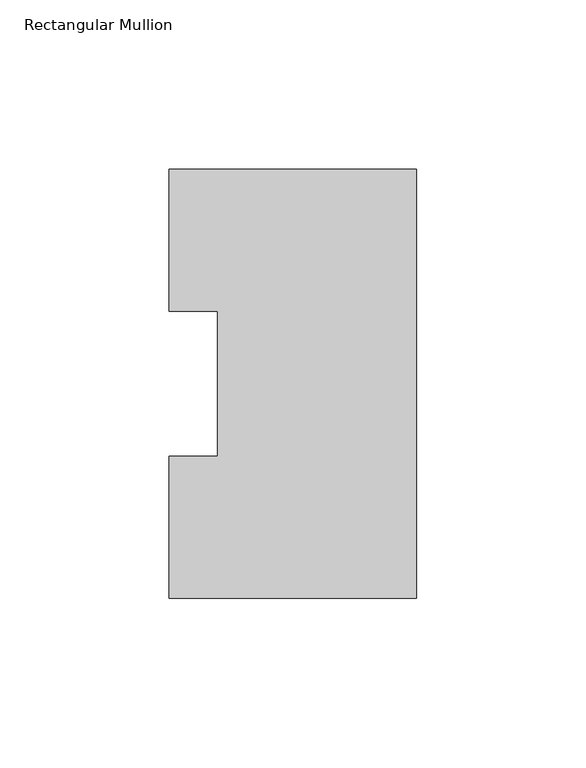
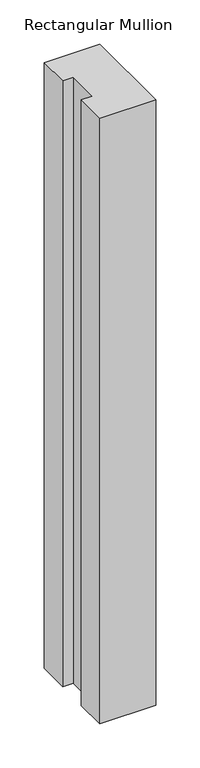
"""IFC4 building model written with IfcOpenShell, lengths in millimetres: member geometry, Rectangular Mullion."""

from ifc_helpers import new_model, si_unit, frame, origin, place, context, project, spatial, polyline, outline, extrude, source, transform, mapped, element, save


def rectangular_mullion_c261c1f2(model_context):
    return source(origin(), model_context, "Body", "SweptSolid", [
        extrude(outline(polyline([(0.0, 126.4546937), (0.0, -0.0373063), (-73.025, -0.0373063), (-73.025, 41.7837937), (-58.7375, 41.7837937), (-58.7375, 84.6335938), (-73.025, 84.6335938), (-73.025, 126.4546937), (0.0, 126.4546937)])), frame((0.0, 0.0, -838.2), z_axis=(0.0, 0.0, 1.0), x_axis=(1.0, 0.0, 0.0)), (0.0, 0.0, 1.0), 838.2),
    ])


if __name__ == "__main__":
    model = new_model("IFC4")
    model_context = context("Model", 3, world=origin())
    ifc_project = project(units=[si_unit("LENGTHUNIT", "METRE", prefix="MILLI")], contexts=[model_context])
    site = spatial("IfcSite", under=ifc_project)
    building = spatial("IfcBuilding", under=site)
    placement = place(None, origin())
    rectangular_mullion_shape = rectangular_mullion_c261c1f2(model_context)
    element("IfcMember", 1, ObjectType="Rectangular Mullion", at=placement, inside=building, context=model_context, shape_type="MappedRepresentation", body=[
        mapped(rectangular_mullion_shape, transform((0.0, 0.0, 0.0), x_axis=(1.0, 0.0, 0.0), y_axis=(0.0, 1.0, 0.0), z_axis=(0.0, 0.0, 1.0))),
    ])
    save(model, "model.ifc")
